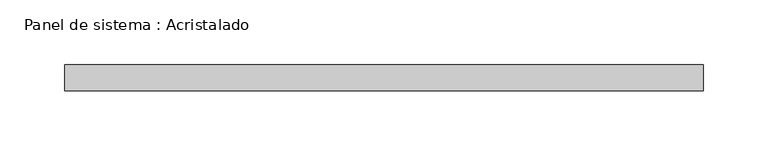
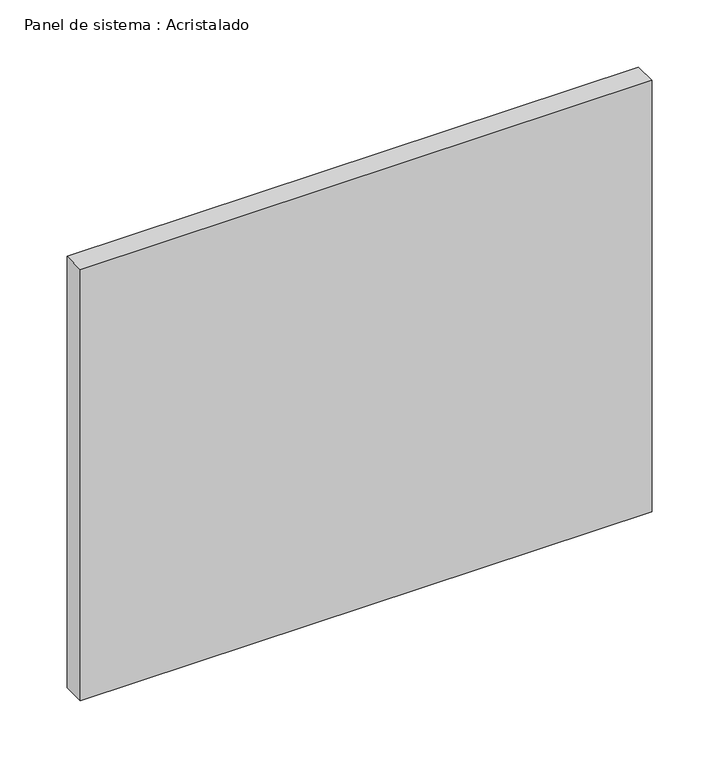
"""IFC4 building model written with IfcOpenShell, lengths in millimetres: plate geometry, Panel de sistema : Acristalado."""

from ifc_helpers import new_model, si_unit, origin, origin_with_axes, place, context, project, spatial, polyline, outline, extrude, source, transform, mapped, element, save


def panel_de_sistema_acristalado_8b7c12a7(model_context):
    return source(origin(), model_context, "Body", "SweptSolid", [
        extrude(outline(polyline([(246.3333333, -10.0), (-246.3333333, -10.0), (-246.3333333, 10.0), (246.3333333, 10.0), (246.3333333, -10.0)])), origin_with_axes(), (0.0, 0.0, 1.0), 392.7452144),
    ])


if __name__ == "__main__":
    model = new_model("IFC4")
    model_context = context("Model", 3, world=origin())
    ifc_project = project(units=[si_unit("LENGTHUNIT", "METRE", prefix="MILLI")], contexts=[model_context])
    site = spatial("IfcSite", under=ifc_project)
    building = spatial("IfcBuilding", under=site)
    placement = place(None, origin())
    panel_de_sistema_acristalado_shape = panel_de_sistema_acristalado_8b7c12a7(model_context)
    element("IfcPlate", 1, ObjectType="Panel de sistema : Acristalado", at=placement, inside=building, context=model_context, shape_type="MappedRepresentation", body=[
        mapped(panel_de_sistema_acristalado_shape, transform((0.0, 0.0, 0.0), x_axis=(1.0, 0.0, 0.0), y_axis=(0.0, 1.0, 0.0), z_axis=(0.0, 0.0, 1.0))),
    ])
    save(model, "model.ifc")
